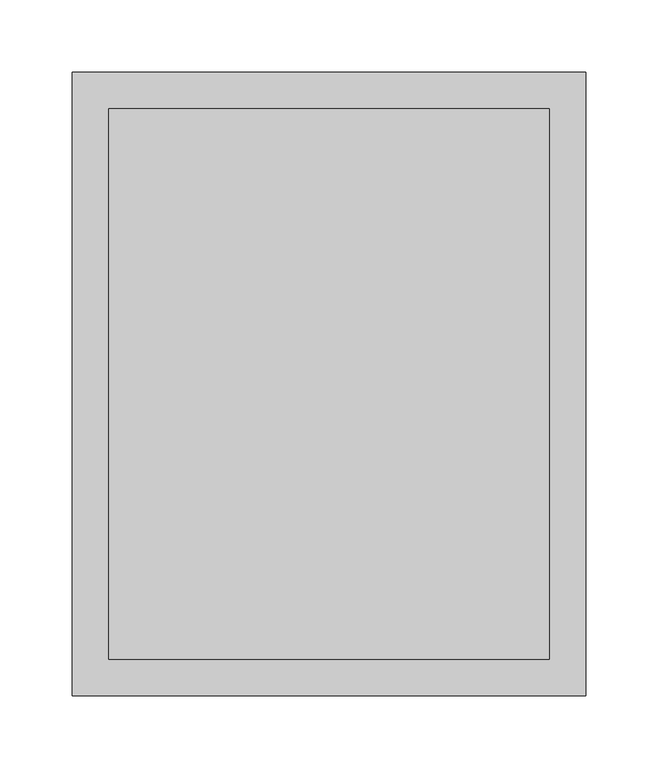
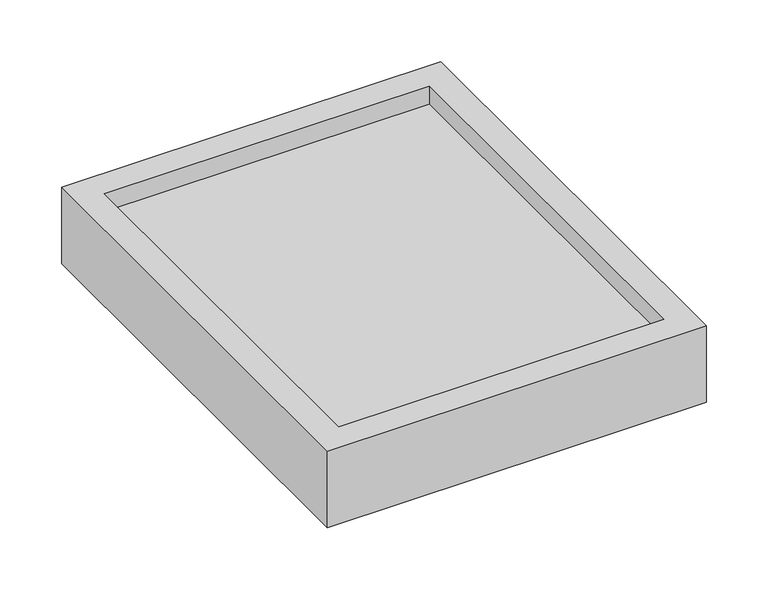
"""IFC4 building model written with IfcOpenShell, lengths in millimetres: proxy geometry."""

from ifc_helpers import new_model, si_unit, origin, place, context, project, spatial, faceted_brep, source, transform, mapped, element, save


def specialty_equipment_82882838(model_context):
    return source(origin(), model_context, "Body", "Brep", [
        faceted_brep([(152.4, 25.4, 58.0404529), (152.4, 406.4, 58.0404529), (-152.4, 406.4, 58.0404529), (-152.4, 25.4, 58.0404529), (-152.4, 25.4, 76.2), (152.4, 25.4, 76.2), (-152.4, 406.4, 76.2), (152.4, 406.4, 76.2), (177.8, 0.0, 76.2), (177.8, 431.8, 76.2), (-177.8, 431.8, 76.2), (-177.8, 0.0, 76.2), (177.8, 0.0, 0.0), (-177.8, 0.0, 0.0), (-177.8, 431.8, 0.0), (177.8, 431.8, 0.0)], [[[0, 1, 2, 3]], [[3, 4, 5, 0]], [[2, 6, 4, 3]], [[1, 7, 6, 2]], [[0, 5, 7, 1]], [[8, 9, 10, 11], [4, 6, 7, 5]], [[12, 13, 14, 15]], [[11, 13, 12, 8]], [[10, 14, 13, 11]], [[9, 15, 14, 10]], [[8, 12, 15, 9]]]),
        faceted_brep([(177.8, 0.0, 76.2), (177.8, 431.8, 76.2), (-177.8, 431.8, 76.2), (-177.8, 0.0, 76.2), (-152.4, 25.4, 76.2), (-152.4, 406.4, 76.2), (152.4, 406.4, 76.2), (152.4, 25.4, 76.2), (177.8, 0.0, 0.0), (-177.8, 0.0, 0.0), (-177.8, 431.8, 0.0), (177.8, 431.8, 0.0), (152.4, 25.4, 58.0404529), (152.4, 406.4, 58.0404529), (-152.4, 406.4, 58.0404529), (-152.4, 25.4, 58.0404529)], [[[0, 1, 2, 3], [4, 5, 6, 7]], [[8, 9, 10, 11]], [[3, 9, 8, 0]], [[2, 10, 9, 3]], [[1, 11, 10, 2]], [[0, 8, 11, 1]], [[12, 13, 14, 15]], [[15, 4, 7, 12]], [[14, 5, 4, 15]], [[13, 6, 5, 14]], [[12, 7, 6, 13]]]),
    ])


if __name__ == "__main__":
    model = new_model("IFC4")
    model_context = context("Model", 3, world=origin())
    ifc_project = project(units=[si_unit("LENGTHUNIT", "METRE", prefix="MILLI")], contexts=[model_context])
    site = spatial("IfcSite", under=ifc_project)
    building = spatial("IfcBuilding", under=site)
    placement = place(None, origin())
    specialty_equipment_shape = specialty_equipment_82882838(model_context)
    element("IfcBuildingElementProxy", 1, Name="Specialty Equipment", at=placement, inside=building, context=model_context, shape_type="MappedRepresentation", body=[
        mapped(specialty_equipment_shape, transform((0.0, 0.0, 0.0), x_axis=(1.0, 0.0, 0.0), y_axis=(0.0, 1.0, 0.0), z_axis=(0.0, 0.0, 1.0))),
    ])
    save(model, "model.ifc")
